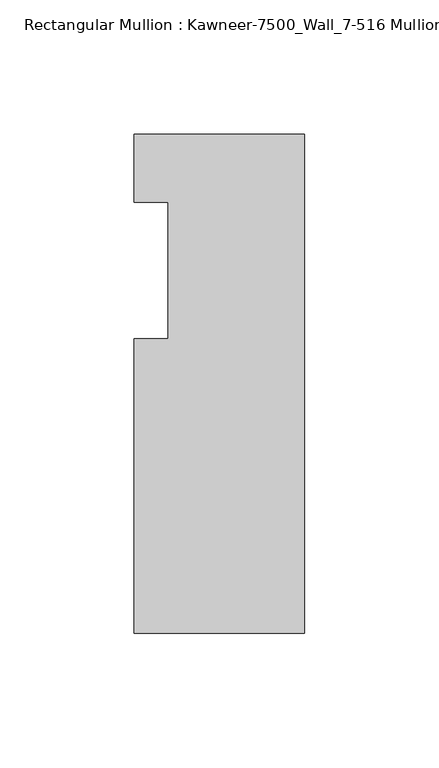
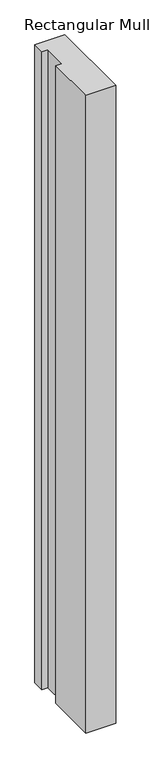
"""IFC4 building model written with IfcOpenShell, lengths in millimetres: member geometry, Rectangular Mullion : Kawneer-7500_Wall_7-516 Mullion_Head."""

from ifc_helpers import new_model, si_unit, frame, origin, place, context, project, spatial, polyline, outline, extrude, source, transform, mapped, element, save


def rectangular_mullion_kawneer_7500_wall_7_516_mullion_head_44a071dc(model_context):
    return source(origin(), model_context, "Body", "SweptSolid", [
        extrude(outline(polyline([(-63.5, -134.9375), (-63.5, -25.4), (-50.7982296, -25.4), (-50.7982296, 25.4), (-63.5, 25.4), (-63.5, 50.8), (0.0, 50.8), (0.0, -134.9375), (-63.5, -134.9375)])), frame((0.0, 0.0, -1424.4155973), z_axis=(0.0, 0.0, 1.0), x_axis=(1.0, 0.0, 0.0)), (0.0, 0.0, 1.0), 1424.4155973),
    ])


if __name__ == "__main__":
    model = new_model("IFC4")
    model_context = context("Model", 3, world=origin())
    ifc_project = project(units=[si_unit("LENGTHUNIT", "METRE", prefix="MILLI")], contexts=[model_context])
    site = spatial("IfcSite", under=ifc_project)
    building = spatial("IfcBuilding", under=site)
    placement = place(None, origin())
    rectangular_mullion_kawneer_7500_wall_7_516_mullion_head_shape = rectangular_mullion_kawneer_7500_wall_7_516_mullion_head_44a071dc(model_context)
    element("IfcMember", 1, ObjectType="Rectangular Mullion : Kawneer-7500_Wall_7-516 Mullion_Head", at=placement, inside=building, context=model_context, shape_type="MappedRepresentation", body=[
        mapped(rectangular_mullion_kawneer_7500_wall_7_516_mullion_head_shape, transform((0.0, 0.0, 0.0), x_axis=(1.0, 0.0, 0.0), y_axis=(0.0, 1.0, 0.0), z_axis=(0.0, 0.0, 1.0))),
    ])
    save(model, "model.ifc")
